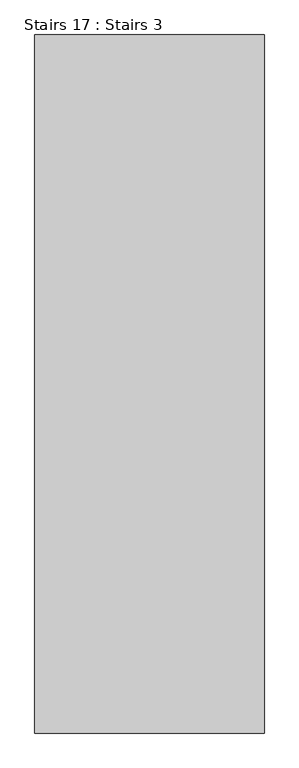
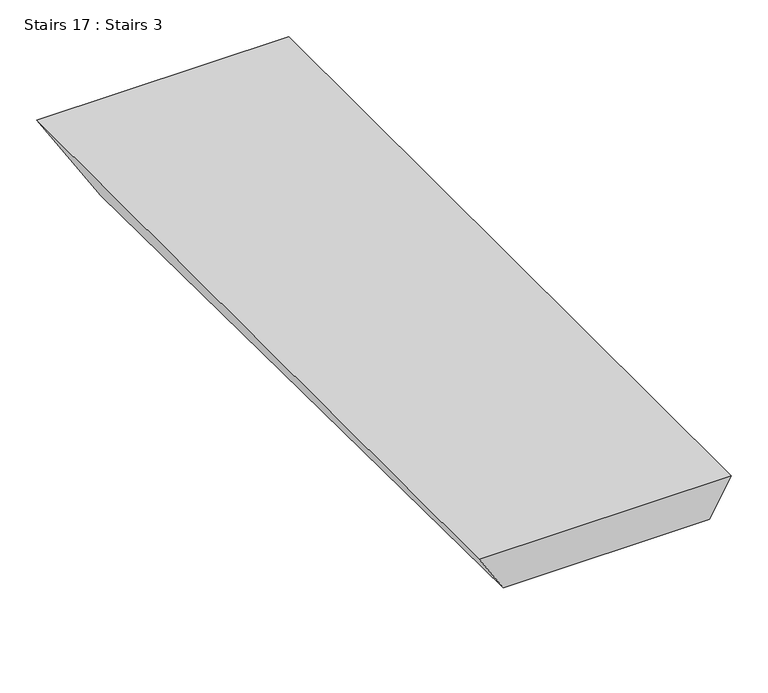
"""IFC4 building model written with IfcOpenShell, lengths in millimetres: stair geometry, Stairs 17 : Stairs 3."""

from ifc_helpers import new_model, si_unit, origin, place, context, project, spatial, faceted_brep, source, transform, mapped, element, save


def stairs_17_stairs_3_63094719(model_context):
    return source(origin(), model_context, "Body", "Brep", [
        faceted_brep([(99078.7109483, -36475.9230841, 71041.1111111), (98684.0169888, -36475.9230841, 71041.1111111), (98721.50915, -36475.9230841, 70981.1111111), (99044.0699321, -36475.9230841, 70981.1111111), (98684.0169888, -35275.9230841, 71041.1111111), (99078.7109483, -35275.9230841, 71041.1111111), (98986.3349052, -35275.9230841, 70881.1111111), (98783.9960851, -35275.9230841, 70881.1111111)], [[[0, 1, 2, 3]], [[4, 5, 6, 7]], [[5, 4, 1, 0]], [[7, 6, 3, 2]], [[2, 1, 4, 7]], [[0, 3, 6, 5]]]),
    ])


if __name__ == "__main__":
    model = new_model("IFC4")
    model_context = context("Model", 3, world=origin())
    ifc_project = project(units=[si_unit("LENGTHUNIT", "METRE", prefix="MILLI")], contexts=[model_context])
    site = spatial("IfcSite", under=ifc_project)
    building = spatial("IfcBuilding", under=site)
    placement = place(None, origin())
    stairs_17_stairs_3_shape = stairs_17_stairs_3_63094719(model_context)
    element("IfcStair", 1, ObjectType="Stairs 17 : Stairs 3", at=placement, inside=building, context=model_context, shape_type="MappedRepresentation", body=[
        mapped(stairs_17_stairs_3_shape, transform((0.0, 0.0, 0.0), x_axis=(1.0, 0.0, 0.0), y_axis=(0.0, 1.0, 0.0), z_axis=(0.0, 0.0, 1.0))),
    ])
    save(model, "model.ifc")
